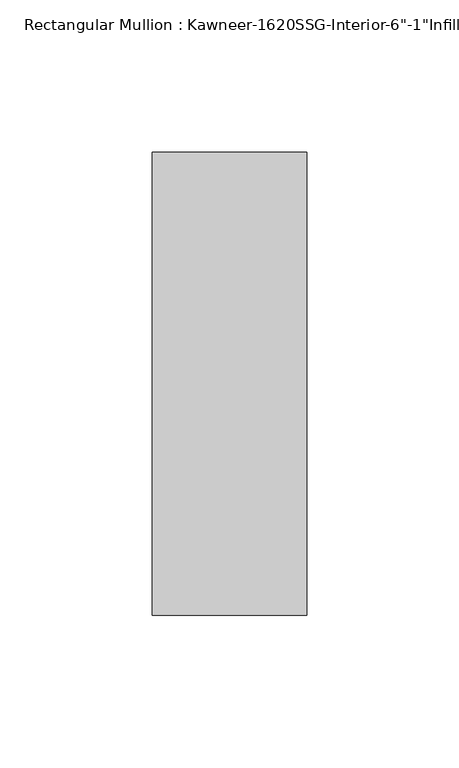
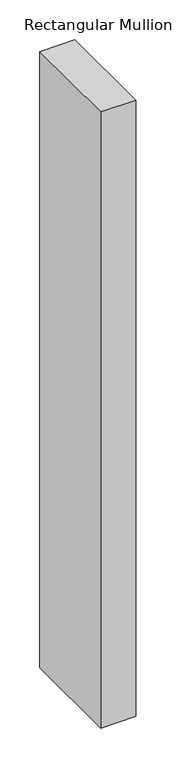
"""IFC4 building model written with IfcOpenShell, lengths in millimetres: member geometry."""

from ifc_helpers import new_model, si_unit, frame, origin, place, context, project, spatial, polyline, outline, extrude, source, transform, mapped, element, save


def member_9248ed3a(model_context):
    return source(origin(), model_context, "Body", "SweptSolid", [
        extrude(outline(polyline([(25.4, -114.3), (-25.4, -114.3), (-25.4, 38.1), (25.4, 38.1), (25.4, -114.3)])), frame((0.0, 0.0, -943.0684633), z_axis=(0.0, 0.0, 1.0), x_axis=(1.0, 0.0, 0.0)), (0.0, 0.0, 1.0), 943.0684633),
    ])


if __name__ == "__main__":
    model = new_model("IFC4")
    model_context = context("Model", 3, world=origin())
    ifc_project = project(units=[si_unit("LENGTHUNIT", "METRE", prefix="MILLI")], contexts=[model_context])
    site = spatial("IfcSite", under=ifc_project)
    building = spatial("IfcBuilding", under=site)
    placement = place(None, origin())
    member_shape = member_9248ed3a(model_context)
    element("IfcMember", 1, ObjectType="Rectangular Mullion : Kawneer-1620SSG-Interior-6\"-1\"Infill", at=placement, inside=building, context=model_context, shape_type="MappedRepresentation", body=[
        mapped(member_shape, transform((0.0, 0.0, 0.0), x_axis=(1.0, 0.0, 0.0), y_axis=(0.0, 1.0, 0.0), z_axis=(0.0, 0.0, 1.0))),
    ])
    save(model, "model.ifc")
